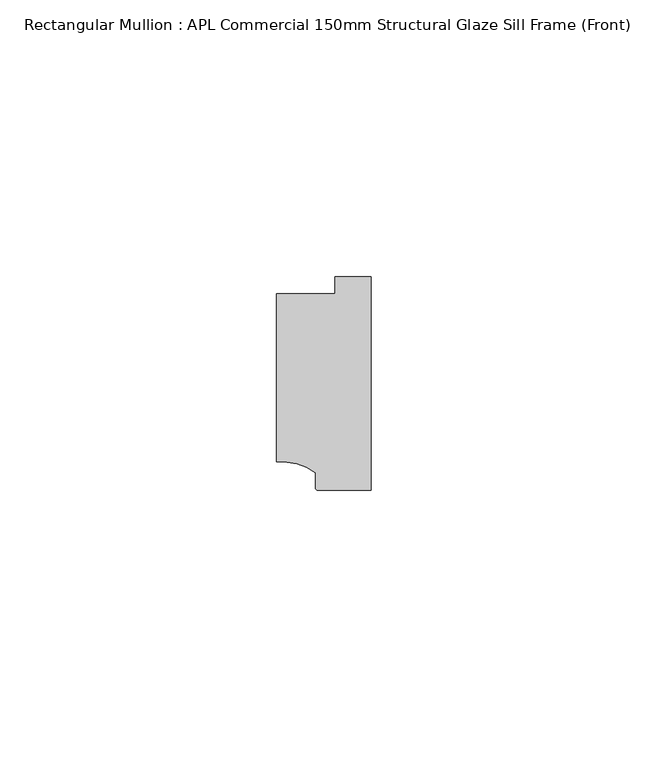
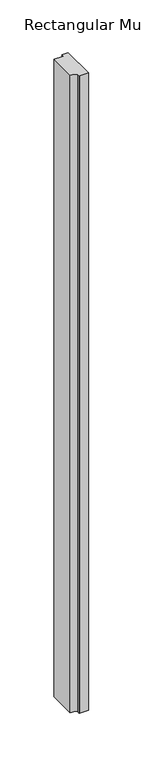
"""IFC4 building model written with IfcOpenShell, lengths in millimetres: member geometry, Rectangular Mullion : APL Commercial 150mm Structural Glaze Sill Frame (Front)."""

from ifc_helpers import new_model, si_unit, point, frame, frame_2d, origin, place, context, project, spatial, polyline, circle_curve, trimmed, segment, composite_curve, outline, extrude, source, transform, mapped, element, save


def rectangular_mullion_apl_commercial_150mm_structural_glaze_4906c5b8(model_context):
    return source(origin(), model_context, "Body", "SweptSolid", [
        extrude(outline(composite_curve([segment(polyline([(-16.999942, -15.3793144), (-16.999942, 15.0004332), (-6.5000029, 15.0004332), (-6.5000029, 18.0281616), (0.0, 18.0281616), (0.0, -20.49978), (-9.5000029, -20.49978)]), True, "CONTINUOUS"), segment(trimmed(circle_curve(frame_2d((-9.5000029, -19.99978)), 0.5), [point((-9.5000029, -20.49978))], [point((-10.0, -19.9980675))], False, "CARTESIAN"), True, "CONTINUOUS"), segment(polyline([(-10.0, -19.9980675), (-10.0, -17.3120901)]), True, "CONTINUOUS"), segment(trimmed(circle_curve(frame_2d((-16.1098048, -25.7977481)), 10.4563907), [point((-10.0, -17.3120901))], [point((-16.999942, -15.3793144))], True, "CARTESIAN"), True, "CONTINUOUS")], self_intersect=False)), frame((0.0, 0.0, -738.0468629), z_axis=(0.0, 0.0, 1.0), x_axis=(1.0, 0.0, 0.0)), (0.0, 0.0, 1.0), 738.0468629),
    ])


if __name__ == "__main__":
    model = new_model("IFC4")
    model_context = context("Model", 3, world=origin())
    ifc_project = project(units=[si_unit("LENGTHUNIT", "METRE", prefix="MILLI")], contexts=[model_context])
    site = spatial("IfcSite", under=ifc_project)
    building = spatial("IfcBuilding", under=site)
    placement = place(None, origin())
    rectangular_mullion_apl_commercial_150mm_structural_glaze_shape = rectangular_mullion_apl_commercial_150mm_structural_glaze_4906c5b8(model_context)
    element("IfcMember", 1, ObjectType="Rectangular Mullion : APL Commercial 150mm Structural Glaze Sill Frame (Front)", at=placement, inside=building, context=model_context, shape_type="MappedRepresentation", body=[
        mapped(rectangular_mullion_apl_commercial_150mm_structural_glaze_shape, transform((0.0, 0.0, 0.0), x_axis=(1.0, 0.0, 0.0), y_axis=(0.0, 1.0, 0.0), z_axis=(0.0, 0.0, 1.0))),
    ])
    save(model, "model.ifc")
